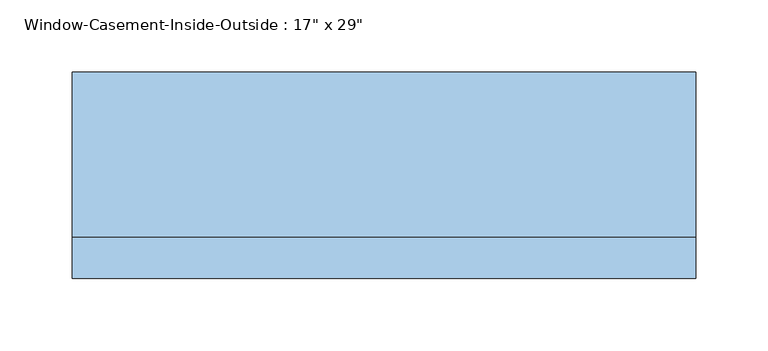
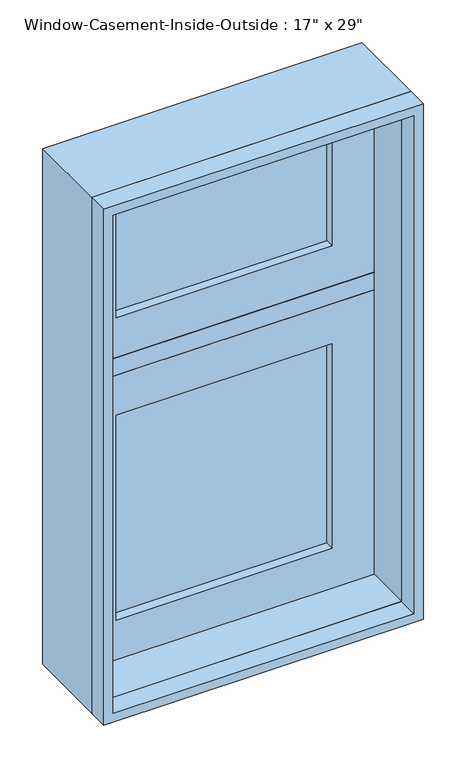
"""IFC4 building model written with IfcOpenShell, lengths in millimetres: window geometry."""

from ifc_helpers import new_model, si_unit, frame, origin, place, context, project, spatial, polyline, outline, extrude, source, transform, mapped, element, save


def window_60499a6d(model_context):
    return source(origin(), model_context, "Body", "SweptSolid", [
        extrude(outline(polyline([(1651.0, -215.9), (914.4, -215.9), (914.4, 215.9), (1651.0, 215.9), (1651.0, -215.9)]), holes=[polyline([(1638.3, 203.2), (927.1, 203.2), (927.1, -203.2), (1638.3, -203.2), (1638.3, 203.2)])]), frame((0.0, -33.25, 0.0), z_axis=(0.0, 1.0, 0.0), x_axis=(0.0, 0.0, 1.0)), (0.0, 0.0, 1.0), 114.3),
        extrude(outline(polyline([(1651.0, -215.9), (914.4, -215.9), (914.4, 215.9), (1651.0, 215.9), (1651.0, -215.9)]), holes=[polyline([(1638.3, 203.2), (927.1, 203.2), (927.1, -203.2), (1638.3, -203.2), (1638.3, 203.2)])]), frame((0.0, -62.0, 0.0), z_axis=(0.0, 1.0, 0.0), x_axis=(0.0, 0.0, 1.0)), (0.0, 0.0, 1.0), 28.75),
        extrude(outline(polyline([(927.1, 203.2), (1333.5, 203.2), (1333.5, -203.2), (927.1, -203.2), (927.1, 203.2)]), holes=[polyline([(984.25, -146.05), (1276.35, -146.05), (1276.35, 146.05), (984.25, 146.05), (984.25, -146.05)])]), frame((0.0, 30.25, 0.0), z_axis=(0.0, 1.0, 0.0), x_axis=(0.0, 0.0, 1.0)), (0.0, 0.0, 1.0), 44.45),
        extrude(outline(polyline([(146.05, 62.0), (146.05, 55.65), (-146.05, 55.65), (-146.05, 62.0), (146.05, 62.0)])), frame((0.0, 0.0, 984.25), z_axis=(0.0, 0.0, 1.0), x_axis=(1.0, 0.0, 0.0)), (0.0, 0.0, 1.0), 292.1),
        extrude(outline(polyline([(-146.05, 42.95), (-146.05, 49.3), (146.05, 49.3), (146.05, 42.95), (-146.05, 42.95)])), frame((0.0, 0.0, 984.25), z_axis=(0.0, 0.0, 1.0), x_axis=(1.0, 0.0, 0.0)), (0.0, 0.0, 1.0), 292.1),
        extrude(outline(polyline([(146.05, 62.0), (146.05, 55.65), (-146.05, 55.65), (-146.05, 62.0), (146.05, 62.0)])), frame((0.0, 0.0, 1416.05), z_axis=(0.0, 0.0, 1.0), x_axis=(1.0, 0.0, 0.0)), (0.0, 0.0, 1.0), 165.1),
        extrude(outline(polyline([(-146.05, 42.95), (-146.05, 49.3), (146.05, 49.3), (146.05, 42.95), (-146.05, 42.95)])), frame((0.0, 0.0, 1416.05), z_axis=(0.0, 0.0, 1.0), x_axis=(1.0, 0.0, 0.0)), (0.0, 0.0, 1.0), 165.1),
        extrude(outline(polyline([(203.2, 81.05), (203.2, 30.25), (-203.2, 30.25), (-203.2, 81.05), (203.2, 81.05)])), frame((0.0, 0.0, 1333.5), z_axis=(0.0, 0.0, 1.0), x_axis=(1.0, 0.0, 0.0)), (0.0, 0.0, 1.0), 25.4),
        extrude(outline(polyline([(1638.3, -203.2), (1358.9, -203.2), (1358.9, 203.2), (1638.3, 203.2), (1638.3, -203.2)]), holes=[polyline([(1581.15, 146.05), (1416.05, 146.05), (1416.05, -146.05), (1581.15, -146.05), (1581.15, 146.05)])]), frame((0.0, 30.25, 0.0), z_axis=(0.0, 1.0, 0.0), x_axis=(0.0, 0.0, 1.0)), (0.0, 0.0, 1.0), 44.45),
    ])


if __name__ == "__main__":
    model = new_model("IFC4")
    model_context = context("Model", 3, world=origin())
    ifc_project = project(units=[si_unit("LENGTHUNIT", "METRE", prefix="MILLI")], contexts=[model_context])
    site = spatial("IfcSite", under=ifc_project)
    building = spatial("IfcBuilding", under=site)
    placement = place(None, origin())
    window_shape = window_60499a6d(model_context)
    element("IfcWindow", 1, ObjectType="Window-Casement-Inside-Outside : 17\" x 29\"", at=placement, inside=building, context=model_context, shape_type="MappedRepresentation", body=[
        mapped(window_shape, transform((0.0, 0.0, 0.0), x_axis=(1.0, 0.0, 0.0), y_axis=(0.0, 1.0, 0.0), z_axis=(0.0, 0.0, 1.0))),
    ])
    save(model, "model.ifc")
